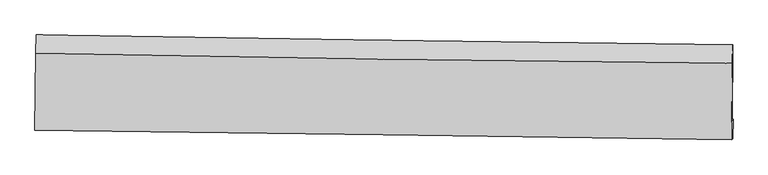
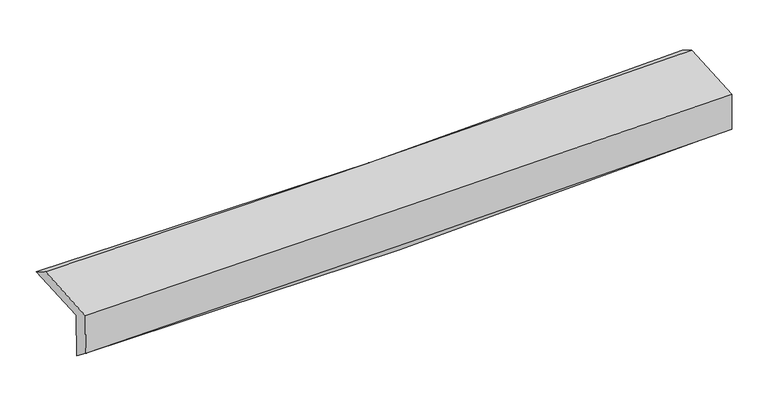
"""IFC4 building model written with IfcOpenShell, lengths in millimetres: proxy geometry."""

import ifcopenshell
import ifcopenshell.guid

model = None  # the IFC model being written
_history = None  # IfcOwnerHistory: only IFC2X3 demands one
_inside = {}  # id of a spatial element -> (the spatial element, [elements in it])
_under = {}  # id of a project, library or spatial element -> (it, [spatial elements below it])
_declared = {}  # id of a project -> (the project, [libraries it declares])
_typed = {}  # id of a type object -> (the type object, [elements of that type])
_made_of = {}  # id of a material, layer set ... -> (it, [elements and type objects made of it])


def new_model(schema):
    """Start an empty IFC model of exactly this schema.

    Asked for "IFC4X3", IfcOpenShell would pick the latest addendum, in which some entities
    have other attributes; the version numbers below select the first issue.
    IFC2X3 requires an IfcOwnerHistory on every rooted entity: one is made here for all.
    """
    global model, _history
    if schema == "IFC4X3":
        model = ifcopenshell.file(schema_version=(4, 3, 0, 0))
    else:
        model = ifcopenshell.file(schema=schema)
    _inside.clear()
    _under.clear()
    _declared.clear()
    _typed.clear()
    _made_of.clear()
    _history = None
    if model.schema == "IFC2X3":
        org = make("IfcOrganization", Name="unknown")
        user = make(
            "IfcPersonAndOrganization",
            ThePerson=make("IfcPerson", FamilyName="unknown"),
            TheOrganization=org,
        )
        app = make(
            "IfcApplication",
            ApplicationDeveloper=org,
            Version="unknown",
            ApplicationFullName="unknown",
            ApplicationIdentifier="unknown",
        )
        _history = make(
            "IfcOwnerHistory",
            OwningUser=user,
            OwningApplication=app,
            ChangeAction="ADDED",
            CreationDate=0,
        )
    return model


def make(cls, **values):
    """One entity of the class cls with the attributes given. An attribute that is None is left unset."""
    return model.create_entity(
        cls, **{name: value for name, value in values.items() if value is not None}
    )


def rooted(cls, **values):
    """An entity with a GlobalId (a new one), such as an element, a storey or a relation."""
    return make(cls, GlobalId=ifcopenshell.guid.new(), OwnerHistory=_history, **values)


def si_unit(unit_type, name, prefix=None):
    """IfcSIUnit, for example si_unit("LENGTHUNIT", "METRE", prefix="MILLI")."""
    return make("IfcSIUnit", UnitType=unit_type, Prefix=prefix, Name=name)


def assignment(units):
    """IfcUnitAssignment: the units of a project."""
    return None if units is None else make("IfcUnitAssignment", Units=units)


def point(xyz):
    """IfcCartesianPoint."""
    return None if xyz is None else make("IfcCartesianPoint", Coordinates=xyz)


def direction(xyz):
    """IfcDirection."""
    return None if xyz is None else make("IfcDirection", DirectionRatios=xyz)


def frame(location, z_axis=None, x_axis=None):
    """IfcAxis2Placement3D, a coordinate frame: its origin and axes. An axis left out is left unset."""
    return make(
        "IfcAxis2Placement3D",
        Location=point(location),
        Axis=direction(z_axis),
        RefDirection=direction(x_axis),
    )


def origin():
    """The frame at (0, 0, 0) with its axes left unset."""
    return frame((0.0, 0.0, 0.0))


def place(relative_to, where):
    """IfcLocalPlacement: puts the frame where relative to a parent placement (None: the world)."""
    return make(
        "IfcLocalPlacement", PlacementRelTo=relative_to, RelativePlacement=where
    )


def context(
    kind, dimensions, precision=None, world=None, true_north=None, identifier=None
):
    """IfcGeometricRepresentationContext, for example the 3D "Model" context."""
    return make(
        "IfcGeometricRepresentationContext",
        ContextIdentifier=identifier,
        ContextType=kind,
        CoordinateSpaceDimension=dimensions,
        Precision=precision,
        WorldCoordinateSystem=world,
        TrueNorth=true_north,
    )


def project(units=None, contexts=None):
    """IfcProject with its units and contexts."""
    return rooted(
        "IfcProject",
        Name="project",
        RepresentationContexts=contexts,
        UnitsInContext=assignment(units),
    )


def spatial(cls, under=None, at=None, **own):
    """A site, building, storey or space (cls), placed at a placement, below another one or the project."""
    s = rooted(cls, ObjectPlacement=at, **own)
    if under is not None:
        _under.setdefault(under.id(), (under, []))[1].append(s)
    return s


def shape(context_of_items, identifier, shape_type, items):
    """IfcShapeRepresentation: the items that make up one representation, for example the "Body"."""
    return make(
        "IfcShapeRepresentation",
        ContextOfItems=context_of_items,
        RepresentationIdentifier=identifier,
        RepresentationType=shape_type,
        Items=items,
    )


def source(mapping_origin, context_of_items, identifier, shape_type, items):
    """IfcRepresentationMap: a shape defined once, which mapped items show again and again."""
    return make(
        "IfcRepresentationMap",
        MappingOrigin=mapping_origin,
        MappedRepresentation=shape(context_of_items, identifier, shape_type, items),
    )


def transform(
    local_origin,
    x_axis=None,
    y_axis=None,
    z_axis=None,
    scale=None,
    scale2=None,
    scale3=None,
    uniform=True,
):
    """IfcCartesianTransformationOperator3D, or its non-uniform kind. x_axis, y_axis, z_axis: its Axis1, 2, 3."""
    if uniform:
        return make(
            "IfcCartesianTransformationOperator3D",
            Axis1=direction(x_axis),
            Axis2=direction(y_axis),
            LocalOrigin=point(local_origin),
            Scale=scale,
            Axis3=direction(z_axis),
        )
    return make(
        "IfcCartesianTransformationOperator3DnonUniform",
        Axis1=direction(x_axis),
        Axis2=direction(y_axis),
        LocalOrigin=point(local_origin),
        Scale=scale,
        Axis3=direction(z_axis),
        Scale2=scale2,
        Scale3=scale3,
    )


def mapped(mapping_source, mapping_target):
    """IfcMappedItem: shows the shape of a source again, moved by a transform."""
    return make(
        "IfcMappedItem", MappingSource=mapping_source, MappingTarget=mapping_target
    )


def made_of(thing, what):
    """Note that an element or type object is made of a material, layer set ...; save() writes the relation."""
    if what is not None:
        _made_of.setdefault(what.id(), (what, []))[1].append(thing)
    return thing


def element(
    cls,
    number,
    at=None,
    inside=None,
    cuts=None,
    type_object=None,
    material=None,
    context=None,
    identifier="Body",
    shape_type=None,
    held_by="IfcProductDefinitionShape",
    body=None,
    shapes=None,
    **own,
):
    """One element of the class cls, such as IfcWall. Its Tag is "e" and its number.

    at: its placement. inside: the storey or other place that contains it. cuts: it is an
    opening in that element (IfcRelVoidsElement). A single representation is given by context,
    identifier, shape_type and body (its items); several are given by shapes. held_by: the class
    of the entity that holds the representations. save() writes the other relations.
    """
    e = rooted(cls, Tag="e%d" % number, ObjectPlacement=at, **own)
    if body is not None:
        shapes = [shape(context, identifier, shape_type, body)]
    if shapes is not None:
        e.Representation = make(held_by, Representations=shapes)
    if inside is not None:
        _inside.setdefault(inside.id(), (inside, []))[1].append(e)
    if cuts is not None:
        rooted(
            "IfcRelVoidsElement", RelatingBuildingElement=cuts, RelatedOpeningElement=e
        )
    if type_object is not None:
        _typed.setdefault(type_object.id(), (type_object, []))[1].append(e)
    return made_of(e, material)


def aggregate(whole, parts):
    """IfcRelAggregates: a whole, such as a stair, and the parts it consists of."""
    return rooted("IfcRelAggregates", RelatingObject=whole, RelatedObjects=parts)


def save(model, path):
    """Write the relations noted so far, then the file.

    IfcRelAggregates (storeys below a building ...), IfcRelContainedInSpatialStructure (elements
    in a storey), IfcRelDefinesByType, IfcRelAssociatesMaterial and IfcRelDeclares: one each for
    every whole, place, type object, material and project.
    """
    for whole, parts in _under.values():
        aggregate(whole, parts)
    for where, things in _inside.values():
        rooted(
            "IfcRelContainedInSpatialStructure",
            RelatedElements=things,
            RelatingStructure=where,
        )
    for kind, things in _typed.values():
        rooted("IfcRelDefinesByType", RelatedObjects=things, RelatingType=kind)
    for what, things in _made_of.values():
        rooted("IfcRelAssociatesMaterial", RelatedObjects=things, RelatingMaterial=what)
    for by, libraries in _declared.values():
        rooted("IfcRelDeclares", RelatingContext=by, RelatedDefinitions=libraries)
    model.write(path)


def plane_surface(at):
    """IfcPlane: the flat surface through the origin of the frame at, square to its z axis."""
    return make("IfcPlane", Position=at)


def spline_curve(degree, points, multiplicities, knots, weights=None):
    """IfcBSplineCurveWithKnots; with weights, IfcRationalBSplineCurveWithKnots."""
    own = dict(
        Degree=degree,
        ControlPointsList=[point(p) for p in points],
        CurveForm="UNSPECIFIED",
        ClosedCurve=False,
        SelfIntersect=False,
        KnotMultiplicities=multiplicities,
        Knots=knots,
        KnotSpec="UNSPECIFIED",
    )
    if weights is None:
        return make("IfcBSplineCurveWithKnots", **own)
    return make("IfcRationalBSplineCurveWithKnots", WeightsData=weights, **own)


def spline_surface(u_degree, v_degree, points, u_multiplicities, v_multiplicities, u_knots, v_knots, weights=None):
    """IfcBSplineSurfaceWithKnots; with weights, IfcRationalBSplineSurfaceWithKnots. points: one row for each step in u."""
    own = dict(
        UDegree=u_degree,
        VDegree=v_degree,
        ControlPointsList=[[point(p) for p in row] for row in points],
        SurfaceForm="UNSPECIFIED",
        UClosed=False,
        VClosed=False,
        SelfIntersect=False,
        UMultiplicities=u_multiplicities,
        VMultiplicities=v_multiplicities,
        UKnots=u_knots,
        VKnots=v_knots,
        KnotSpec="UNSPECIFIED",
    )
    if weights is None:
        return make("IfcBSplineSurfaceWithKnots", **own)
    return make("IfcRationalBSplineSurfaceWithKnots", WeightsData=weights, **own)


def advanced_brep(points, edges, surfaces, faces):
    """IfcAdvancedBrep: a solid bounded by faces that lie on surfaces and meet in shared edges.

    An edge is (start, end): straight between two places in points (the first is 0);
    or (start, end, curve); or (start, end, curve, False) where it runs against its curve.
    A face is (place in surfaces, loops), or (place, loops, False) where it looks against
    its surface's normal. A loop lists edges by number (the first is 1), with a minus sign
    where the edge is run from its end to its start. The first loop is the outer one.
    """
    corners = [point(p) for p in points]
    vertices = [make("IfcVertexPoint", VertexGeometry=c) for c in corners]
    made = []
    for start, end, *more in edges:
        made.append(
            make(
                "IfcEdgeCurve",
                EdgeStart=vertices[start],
                EdgeEnd=vertices[end],
                EdgeGeometry=more[0] if more else make("IfcPolyline", Points=[corners[start], corners[end]]),
                SameSense=more[1] if len(more) > 1 else True,
            )
        )
    hull = []
    for where, loops, *sense in faces:
        bounds = []
        for j, loop in enumerate(loops):
            ring = [make("IfcOrientedEdge", EdgeElement=made[abs(k) - 1], Orientation=k > 0) for k in loop]
            bounds.append(
                make(
                    "IfcFaceOuterBound" if j == 0 else "IfcFaceBound",
                    Bound=make("IfcEdgeLoop", EdgeList=ring),
                    Orientation=True,
                )
            )
        hull.append(make("IfcAdvancedFace", Bounds=bounds, FaceSurface=surfaces[where], SameSense=sense[0] if sense else True))
    return make("IfcAdvancedBrep", Outer=make("IfcClosedShell", CfsFaces=hull))


def generic_models_b3e99530(model_context):
    return source(origin(), model_context, "Body", "AdvancedBrep", [
        advanced_brep(
        [(-3031.4715372, -1756.4161658, 1976.1878123), (-3023.8468281, -1089.245335, 2005.5616685), (3017.0826484, -1173.1853203, 2144.6713215), (3009.4423673, -1834.6669013, 2119.1038276), (-3022.0053674, -1746.2025477, 1564.1170377), (3018.5789033, -1821.4428182, 1723.2278765), (-3026.8112742, -1904.3064494, 1689.4806409), (3013.5159551, -1989.1852341, 1854.6482026), (-3035.5241406, -1913.9897544, 2068.60458), (3005.2633634, -1998.3569988, 2213.7441503), (-3028.0475122, -1250.3147535, 2102.5954316), (3012.7361702, -1335.0212344, 2247.7176276)],
        [
            (0, 1),
            (1, 2, spline_curve(3, [(-3023.8468281, -1089.245335, 2005.5616685), (-2016.291303966, -1106.59315006, 1995.424772145), (-1009.11296655, -1122.261948611, 2001.948221153), (1004.530223054, -1150.242080135, 2048.316752375), (2010.995044303, -1162.553276709, 2088.163187311), (3017.0826484, -1173.1853203, 2144.6713215)], [4, 2, 4], [0.0, 9.91467413700676, 19.829750923791508])),
            (2, 3),
            (3, 0, spline_curve(3, [(3009.4423673, -1834.6669013, 2119.1038276), (2003.432330832, -1820.773550001, 2060.96132917), (997.00759017, -1807.305855857, 2019.980518688), (-1016.630411972, -1781.222311778, 1972.343241003), (-2023.843639249, -1768.606427523, 1965.685379425), (-3031.4715372, -1756.4161658, 1976.1878123)], [4, 2, 4], [0.0, 9.915076786784748, 19.829750923791508])),
            (4, 0),
            (3, 5),
            (5, 4, spline_curve(3, [(3018.5789033, -1821.4428182, 1723.2278765), (2012.739662748, -1809.048259471, 1656.727684853), (1006.427788887, -1796.580828848, 1610.218489393), (-1007.100339719, -1771.500732612, 1557.183166507), (-2014.316556071, -1758.888073339, 1550.655416026), (-3022.0053674, -1746.2025477, 1564.1170377)], [4, 2, 4], [0.0, 9.915458457479671, 19.830514249681762])),
            (6, 4),
            (5, 7),
            (7, 6, spline_curve(3, [(3013.5159551, -1989.1852341, 1854.6482026), (2007.016502682, -1972.817378469, 1819.45665045), (1000.395950549, -1957.560097571, 1788.096709558), (-1013.046469122, -1929.267259724, 1733.041166563), (-2019.868326696, -1916.231612363, 1709.345253914), (-3026.8112742, -1904.3064494, 1689.4806409)], [4, 2, 4], [0.0, 9.914346849985526, 19.828291079835687])),
            (8, 6),
            (7, 9),
            (9, 8, spline_curve(3, [(3005.2633634, -1998.3569988, 2213.7441503), (1998.687204283, -1982.074393597, 2181.890341649), (991.989941786, -1966.902366994, 2153.868305563), (-1021.605902444, -1938.78004224, 2105.48876), (-2028.504474906, -1925.829654032, 2085.130939402), (-3035.5241406, -1913.9897544, 2068.60458)], [4, 2, 4], [0.0, 9.913583901365257, 19.826765213578376])),
            (10, 8),
            (9, 11),
            (11, 10, spline_curve(3, [(3012.7361702, -1335.0212344, 2247.7176276), (2006.083518921, -1325.528568344, 2215.516064952), (999.348329832, -1313.72317184, 2187.321602775), (-1014.246237515, -1285.487490495, 2138.94786307), (-2021.105609114, -1269.057393261, 2118.768259594), (-3028.0475122, -1250.3147535, 2102.5954316)], [4, 2, 4], [0.0, 9.913546671469007, 19.826690755297776])),
            (1, 10),
            (11, 2),
        ],
        [
            spline_surface(3, 3, [[(-3031.4715372, -1756.4161658, 1976.1878123), (-2023.843639301, -1768.606427433, 1965.685379579), (-1016.630411829, -1781.222311848, 1972.343240886), (997.007590028, -1807.305855788, 2019.980518805), (2003.432330705, -1820.773549851, 2060.961329282), (3009.4423673, -1834.6669013, 2119.1038276)], [(-3028.92996751, -1534.025888874, 1985.979097716), (-2021.326194188, -1547.935335032, 1975.598510411), (-1014.124596712, -1561.568857461, 1982.211567672), (999.515134352, -1588.284597242, 2029.425929987), (2005.953235246, -1601.36679215, 2070.028615371), (3011.989127655, -1614.173040949, 2127.626325596)], [(-3026.38839779, -1311.635611926, 1995.770383084), (-2018.808749044, -1327.26424261, 1985.511641194), (-1011.618781604, -1341.915403028, 1992.079894425), (1002.022678666, -1369.26333865, 2038.871341136), (2008.474139824, -1381.960034502, 2079.09590137), (3014.535888045, -1393.679180651, 2136.148823504)], [(-3023.8468281, -1089.245335, 2005.5616685), (-2016.291303931, -1106.593150209, 1995.424772026), (-1009.112966487, -1122.261948641, 2001.948221211), (1004.530222991, -1150.242080105, 2048.316752318), (2010.995044365, -1162.553276801, 2088.163187458), (3017.0826484, -1173.1853203, 2144.6713215)]], [4, 4], [4, 2, 4], [0.0, 2.161064305814043], [0.0, 9.91467413700676, 19.829750923791508]),
            spline_surface(3, 3, [[(-3022.0053674, -1746.2025477, 1564.1170377), (-2014.316556145, -1758.888073206, 1550.655416021), (-1007.10033973, -1771.500732689, 1557.18316663), (1006.427788898, -1796.580828771, 1610.21848927), (2012.7396627, -1809.048259461, 1656.727684922), (3018.5789033, -1821.4428182, 1723.2278765)], [(-3025.160757344, -1749.60708705, 1701.473962559), (-2017.492250541, -1762.127524599, 1688.998737199), (-1010.277030435, -1774.741259059, 1695.569858041), (1003.287722603, -1800.155837761, 1746.805832441), (2009.637218692, -1812.956689588, 1791.472233022), (3015.533391291, -1825.850845898, 1855.186526846)], [(-3028.316147256, -1753.01162645, 1838.830887441), (-2020.667944905, -1765.36697604, 1827.342058401), (-1013.453721124, -1777.981785477, 1833.956549475), (1000.147656323, -1803.730846798, 1883.393175634), (2006.534774712, -1816.865119723, 1926.216781183), (3012.487879309, -1830.258873602, 1987.145177254)], [(-3031.4715372, -1756.4161658, 1976.1878123), (-2023.843639301, -1768.606427433, 1965.685379579), (-1016.630411829, -1781.222311848, 1972.343240886), (997.007590028, -1807.305855788, 2019.980518805), (2003.432330705, -1820.773549851, 2060.961329282), (3009.4423673, -1834.6669013, 2119.1038276)]], [4, 4], [4, 2, 4], [0.0, 1.3539908327642105], [0.0, 9.915055792202091, 19.830514249681762]),
            spline_surface(3, 3, [[(-3026.8112742, -1904.3064494, 1689.4806409), (-2019.868326782, -1916.231612315, 1709.345254004), (-1013.046469072, -1929.267259638, 1733.041166699), (1000.395950499, -1957.560097657, 1788.096709423), (2007.016502618, -1972.817378599, 1819.456650588), (3013.5159551, -1989.1852341, 1854.6482026)], [(-3025.209305276, -1851.605148831, 1647.692773173), (-2018.017736579, -1863.783765944, 1656.448641349), (-1011.064425953, -1876.678417307, 1674.421833325), (1002.406563303, -1903.900341347, 1728.803969354), (2008.924222676, -1918.227672231, 1765.213662022), (3015.20360453, -1933.271095478, 1810.841427223)], [(-3023.607336324, -1798.903848269, 1605.904905427), (-2016.167146348, -1811.335919578, 1603.552028676), (-1009.082382849, -1824.08957502, 1615.802500004), (1004.417176093, -1850.240585082, 1669.511229338), (2010.831942642, -1863.637965829, 1710.970673488), (3016.89125387, -1877.356956822, 1767.034651877)], [(-3022.0053674, -1746.2025477, 1564.1170377), (-2014.316556145, -1758.888073206, 1550.655416021), (-1007.10033973, -1771.500732689, 1557.18316663), (1006.427788898, -1796.580828771, 1610.21848927), (2012.7396627, -1809.048259461, 1656.727684922), (3018.5789033, -1821.4428182, 1723.2278765)]], [4, 4], [4, 2, 4], [0.0, 0.7813494461357199], [0.0, 9.913944229850161, 19.828291079835687]),
            spline_surface(3, 3, [[(-3035.5241406, -1913.9897544, 2068.60458), (-2028.504474845, -1925.829654095, 2085.130939482), (-1021.60590259, -1938.780042313, 2105.488759999), (991.989941932, -1966.90236692, 2153.868305564), (1998.687204305, -1982.07439349, 2181.890341798), (3005.2633634, -1998.3569988, 2213.7441503)], [(-3032.619851769, -1910.761986087, 1942.229933631), (-2025.625758793, -1922.630306855, 1959.86904432), (-1018.752758081, -1935.609114772, 1981.33956224), (994.791944791, -1963.788277183, 2031.944440192), (2001.463637055, -1978.988721858, 2061.079111404), (3008.014227279, -1995.299743898, 2094.045501076)], [(-3029.715563031, -1907.534217713, 1815.855287269), (-2022.747042833, -1919.430959555, 1834.607149166), (-1015.899613581, -1932.438187179, 1857.190364457), (997.59394764, -1960.674187394, 1910.020574795), (2004.240069868, -1975.903050232, 1940.267880982), (3010.765091221, -1992.242489002, 1974.346851824)], [(-3026.8112742, -1904.3064494, 1689.4806409), (-2019.868326782, -1916.231612315, 1709.345254004), (-1013.046469072, -1929.267259638, 1733.041166699), (1000.395950499, -1957.560097657, 1788.096709423), (2007.016502618, -1972.817378599, 1819.456650588), (3013.5159551, -1989.1852341, 1854.6482026)]], [4, 4], [4, 2, 4], [0.0, 1.2117036201568994], [0.0, 9.91318131221312, 19.826765213578376]),
            spline_surface(3, 3, [[(-3028.0475122, -1250.3147535, 2102.5954316), (-2021.105609241, -1269.05739339, 2118.768259583), (-1014.246237592, -1285.487490432, 2138.947862989), (999.348329909, -1313.723171903, 2187.321602856), (2006.083519065, -1325.528568491, 2215.516064818), (3012.7361702, -1335.0212344, 2247.7176276)], [(-3030.539721687, -1471.53975378, 2091.265147728), (-2023.571897796, -1487.981480272, 2107.555819543), (-1016.699459265, -1503.251674401, 2127.794828664), (996.89553391, -1531.449570251, 2176.170503764), (2003.618080814, -1544.377176808, 2204.307490496), (3010.245234602, -1556.133155851, 2236.393135185)], [(-3033.031931113, -1692.76475412, 2079.934863872), (-2026.03818629, -1706.905567214, 2096.343379521), (-1019.152680917, -1721.015858344, 2116.641794324), (994.442737931, -1749.175968572, 2165.019404656), (2001.152642556, -1763.225785172, 2193.09891612), (3007.754298998, -1777.245077349, 2225.068642715)], [(-3035.5241406, -1913.9897544, 2068.60458), (-2028.504474845, -1925.829654095, 2085.130939482), (-1021.60590259, -1938.780042313, 2105.488759999), (991.989941932, -1966.90236692, 2153.868305564), (1998.687204305, -1982.07439349, 2181.890341798), (3005.2633634, -1998.3569988, 2213.7441503)]], [4, 4], [4, 2, 4], [0.0, 2.1461071334040356], [0.0, 9.913144083828769, 19.826690755297776]),
            spline_surface(3, 3, [[(-3023.8468281, -1089.245335, 2005.5616685), (-2016.291303931, -1106.593150209, 1995.424772026), (-1009.112966487, -1122.261948641, 2001.948221211), (1004.530222991, -1150.242080105, 2048.316752318), (2010.995044365, -1162.553276801, 2088.163187458), (3017.0826484, -1173.1853203, 2144.6713215)], [(-3025.247056113, -1142.935141177, 2037.906256194), (-2017.896072348, -1160.747897947, 2036.539267873), (-1010.824056854, -1176.670462561, 2047.614768471), (1002.802925298, -1204.73577736, 2094.651702498), (2009.357869275, -1216.878374057, 2130.614146551), (3015.633822343, -1227.130625027, 2179.020090173)], [(-3026.647284187, -1196.624947323, 2070.250843906), (-2019.500840824, -1214.902645653, 2077.653763736), (-1012.535147225, -1231.078976513, 2093.281315729), (1001.075627602, -1259.229474648, 2140.986652676), (2007.720694156, -1271.203471234, 2173.065105724), (3014.184996257, -1281.075929673, 2213.368858927)], [(-3028.0475122, -1250.3147535, 2102.5954316), (-2021.105609241, -1269.05739339, 2118.768259583), (-1014.246237592, -1285.487490432, 2138.947862989), (999.348329909, -1313.723171903, 2187.321602856), (2006.083519065, -1325.528568491, 2215.516064818), (3012.7361702, -1335.0212344, 2247.7176276)]], [4, 4], [4, 2, 4], [0.0, 0.7017895195066332], [0.0, 9.913679759213942, 19.8277621278227]),
            plane_surface(frame((3012.7699013, -1691.9764179, 2050.5188344), z_axis=(0.9996661283221984, -0.01242211974705748, 0.022656628749576142), x_axis=(0.022968025314792362, 0.025526202337376624, -0.9994102675114813))),
            plane_surface(frame((-3027.95111, -1610.0791676, 1901.0911952), z_axis=(-0.9996661283221979, 0.012422119745990607, -0.02265662875017807), x_axis=(-0.011416616354688361, -0.9989670882816627, -0.043982012244401264))),
        ],
        [
            (0, [[1, 2, 3, 4]]),
            (1, [[5, -4, 6, 7]]),
            (2, [[8, -7, 9, 10]]),
            (3, [[11, -10, 12, 13]]),
            (4, [[14, -13, 15, 16]]),
            (5, [[17, -16, 18, -2]]),
            (6, [[-12, -9, -6, -3, -18, -15]]),
            (7, [[-1, -5, -8, -11, -14, -17]]),
        ],
    ),
    ])


if __name__ == "__main__":
    model = new_model("IFC4")
    model_context = context("Model", 3, world=origin())
    ifc_project = project(units=[si_unit("LENGTHUNIT", "METRE", prefix="MILLI")], contexts=[model_context])
    site = spatial("IfcSite", under=ifc_project)
    building = spatial("IfcBuilding", under=site)
    placement = place(None, origin())
    generic_models_shape = generic_models_b3e99530(model_context)
    element("IfcBuildingElementProxy", 1, Name="Generic Models", at=placement, inside=building, context=model_context, shape_type="MappedRepresentation", body=[
        mapped(generic_models_shape, transform((0.0, 0.0, 0.0), x_axis=(1.0, 0.0, 0.0), y_axis=(0.0, 1.0, 0.0), z_axis=(0.0, 0.0, 1.0))),
    ])
    save(model, "model.ifc")
